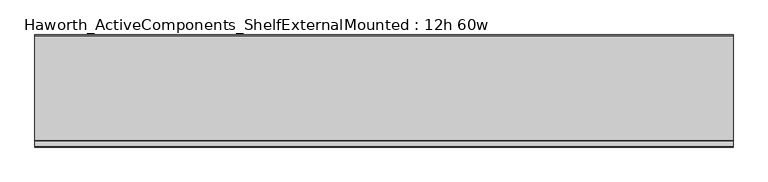
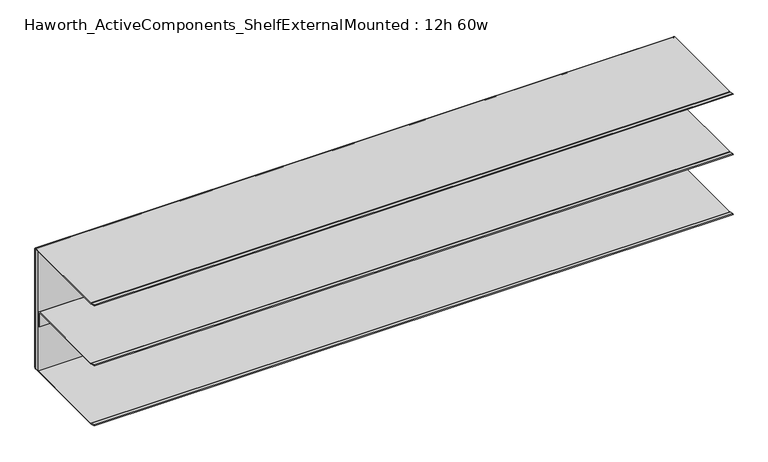
"""IFC4 building model written with IfcOpenShell, lengths in millimetres: furniture geometry, Haworth_ActiveComponents_ShelfExternalMounted : 12h 60w."""

from ifc_helpers import new_model, si_unit, point, frame, frame_2d, origin, place, context, project, spatial, polyline, circle_curve, trimmed, segment, composite_curve, outline, extrude, source, transform, mapped, element, save


def haworth_activecomponents_shelfexternalmounted_12h_60w_de4aab0c(model_context):
    return source(origin(), model_context, "Body", "SweptSolid", [
        extrude(outline(polyline([(-2412.946931, -1108.8104248), (-2412.946931, -1096.1601932), (-888.946931, -1096.1601932), (-888.946931, -1108.8104248), (-2412.946931, -1108.8104248)])), frame((0.0, 0.0, 587.0955999), z_axis=(0.0, 0.0, 1.0), x_axis=(1.0, 0.0, 0.0)), (0.0, 0.0, 1.0), 299.0087945),
        extrude(outline(composite_curve([segment(polyline([(-1097.380424, 584.2), (-1325.9274211, 584.2)]), True, "CONTINUOUS"), segment(trimmed(circle_curve(frame_2d((-1325.9274211, 587.375)), 3.175), [point((-1325.9274211, 584.2))], [point((-1326.7491675, 584.3081844))], False, "CARTESIAN"), True, "CONTINUOUS"), segment(polyline([(-1326.7491675, 584.3081844), (-1338.9841932, 587.5865324), (-1338.4911456, 589.426621), (-1326.4983733, 586.2131843)]), True, "CONTINUOUS"), segment(trimmed(circle_curve(frame_2d((-1325.6766268, 589.2799999)), 3.175), [point((-1326.4983733, 586.2131843))], [point((-1325.6766268, 586.1049999))], True, "CARTESIAN"), True, "CONTINUOUS"), segment(polyline([(-1325.6766268, 586.1049999), (-1097.1943019, 586.1049999)]), True, "CONTINUOUS"), segment(trimmed(circle_curve(frame_2d((-1097.1943019, 587.1888762)), 1.0838764), [point((-1097.1943019, 586.1049999))], [point((-1096.1104256, 587.1888762))], True, "CARTESIAN"), True, "CONTINUOUS"), segment(polyline([(-1096.1104256, 587.1888762), (-1096.1104256, 886.0673706)]), True, "CONTINUOUS"), segment(trimmed(circle_curve(frame_2d((-1097.1380502, 886.0673706)), 1.0276247), [point((-1096.1104256, 886.0673706))], [point((-1097.1380502, 887.0949953))], True, "CARTESIAN"), True, "CONTINUOUS"), segment(polyline([(-1097.1380502, 887.0949953), (-1325.8780783, 887.0949953)]), True, "CONTINUOUS"), segment(trimmed(circle_curve(frame_2d((-1325.8780783, 890.2699953)), 3.175), [point((-1325.8780783, 887.0949953))], [point((-1326.6998504, 887.2031866))], False, "CARTESIAN"), True, "CONTINUOUS"), segment(polyline([(-1326.6998504, 887.2031866), (-1338.9344324, 890.4815255), (-1338.4413666, 892.3216203), (-1326.4490248, 889.1081913)]), True, "CONTINUOUS"), segment(trimmed(circle_curve(frame_2d((-1325.6272527, 892.175)), 3.175), [point((-1326.4490248, 889.1081913))], [point((-1325.6272527, 889.0))], True, "CARTESIAN"), True, "CONTINUOUS"), segment(polyline([(-1325.6272527, 889.0), (-1097.380424, 889.0)]), True, "CONTINUOUS"), segment(trimmed(circle_curve(frame_2d((-1097.380424, 885.825)), 3.175), [point((-1097.380424, 889.0))], [point((-1094.205424, 885.825))], False, "CARTESIAN"), True, "CONTINUOUS"), segment(polyline([(-1094.205424, 885.825), (-1094.205424, 587.375)]), True, "CONTINUOUS"), segment(trimmed(circle_curve(frame_2d((-1097.380424, 587.375)), 3.175), [point((-1094.205424, 587.375))], [point((-1097.380424, 584.2))], False, "CARTESIAN"), True, "CONTINUOUS")], self_intersect=False)), frame((-2412.946931, 0.0, 0.0), z_axis=(1.0, 0.0, 0.0), x_axis=(0.0, 1.0, 0.0)), (0.0, 0.0, 1.0), 1524.0),
        extrude(outline(composite_curve([segment(polyline([(-1338.9344324, 739.0213301), (-1338.4413666, 740.8614249), (-1326.4490005, 737.6479893)]), True, "CONTINUOUS"), segment(trimmed(circle_curve(frame_2d((-1325.6272283, 740.714798)), 3.175), [point((-1326.4490005, 737.6479893))], [point((-1325.6272283, 737.539798))], True, "CARTESIAN"), True, "CONTINUOUS"), segment(polyline([(-1325.6272283, 737.539798), (-1113.319713, 737.539798)]), True, "CONTINUOUS"), segment(trimmed(circle_curve(frame_2d((-1113.319713, 734.5545084)), 2.9852896), [point((-1113.319713, 737.539798))], [point((-1110.3344234, 734.5545084))], False, "CARTESIAN"), True, "CONTINUOUS"), segment(polyline([(-1110.3344234, 734.5545084), (-1110.3344234, 699.439798), (-1112.2394238, 699.439798), (-1112.2394238, 734.6253876)]), True, "CONTINUOUS"), segment(trimmed(circle_curve(frame_2d((-1113.248836, 734.6253876)), 1.0094122), [point((-1112.2394238, 734.6253876))], [point((-1113.248836, 735.6347998))], True, "CARTESIAN"), True, "CONTINUOUS"), segment(polyline([(-1113.248836, 735.6347998), (-1325.8780783, 735.6347998)]), True, "CONTINUOUS"), segment(trimmed(circle_curve(frame_2d((-1325.8780783, 738.8097998)), 3.175), [point((-1325.8780783, 735.6347998))], [point((-1326.6998504, 735.7429911))], False, "CARTESIAN"), True, "CONTINUOUS"), segment(polyline([(-1326.6998504, 735.7429911), (-1338.9344324, 739.0213301)]), True, "CONTINUOUS")], self_intersect=False)), frame((-2412.946931, 0.0, 0.0), z_axis=(1.0, 0.0, 0.0), x_axis=(0.0, 1.0, 0.0)), (0.0, 0.0, 1.0), 1524.0),
    ])


if __name__ == "__main__":
    model = new_model("IFC4")
    model_context = context("Model", 3, world=origin())
    ifc_project = project(units=[si_unit("LENGTHUNIT", "METRE", prefix="MILLI")], contexts=[model_context])
    site = spatial("IfcSite", under=ifc_project)
    building = spatial("IfcBuilding", under=site)
    placement = place(None, origin())
    haworth_activecomponents_shelfexternalmounted_12h_60w_shape = haworth_activecomponents_shelfexternalmounted_12h_60w_de4aab0c(model_context)
    element("IfcFurniture", 1, ObjectType="Haworth_ActiveComponents_ShelfExternalMounted : 12h 60w", at=placement, inside=building, context=model_context, shape_type="MappedRepresentation", body=[
        mapped(haworth_activecomponents_shelfexternalmounted_12h_60w_shape, transform((0.0, 0.0, 0.0), x_axis=(1.0, 0.0, 0.0), y_axis=(0.0, 1.0, 0.0), z_axis=(0.0, 0.0, 1.0))),
    ])
    save(model, "model.ifc")
